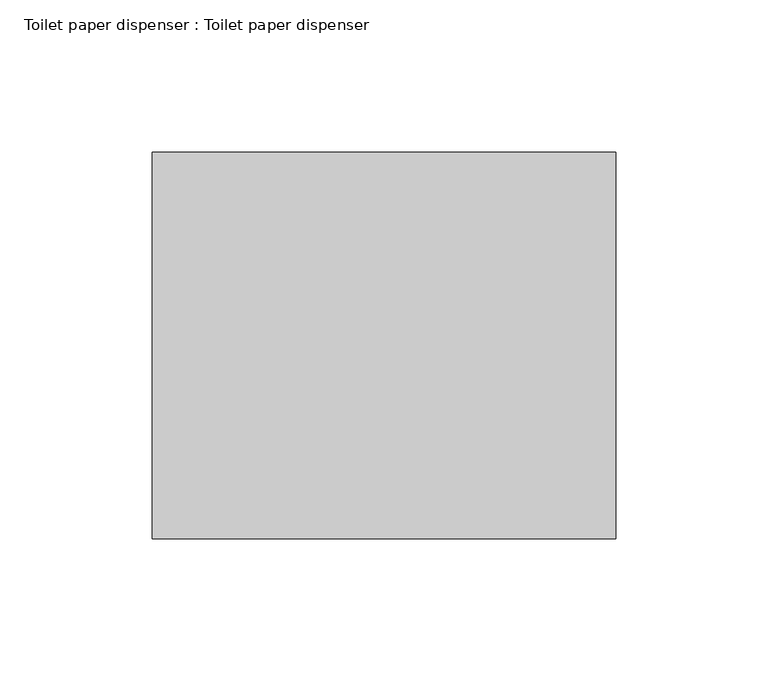
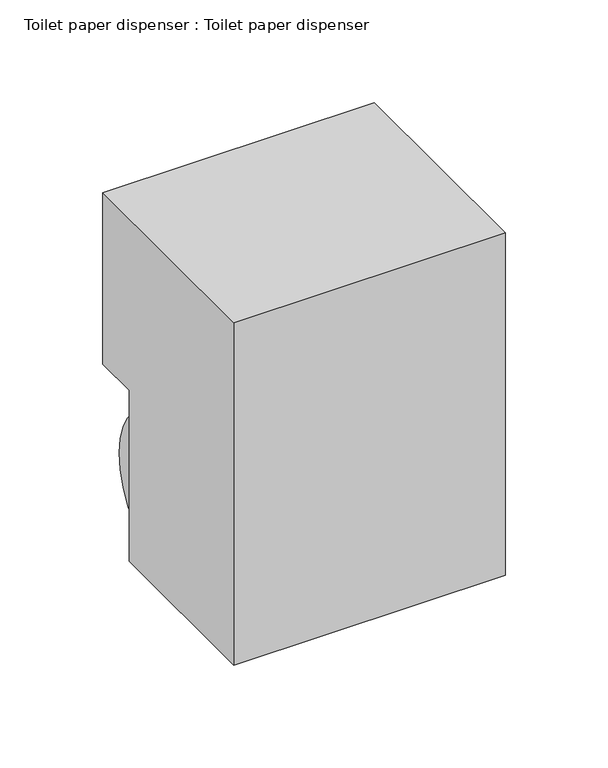
"""IFC4 building model written with IfcOpenShell, lengths in millimetres: flow terminal geometry, Toilet paper dispenser : Toilet paper dispenser."""

from ifc_helpers import new_model, si_unit, point, frame, frame_2d, origin, place, context, project, spatial, polyline, circle_curve, trimmed, segment, composite_curve, outline, extrude, source, transform, mapped, element, save


def toilet_paper_dispenser_toilet_paper_dispenser_b79a7764(model_context):
    return source(origin(), model_context, "Body", "SweptSolid", [
        extrude(outline(composite_curve([segment(trimmed(circle_curve(frame_2d((76.2, 431.8)), 44.45), [point((120.65, 431.8))], [point((31.75, 431.8))], False, "CARTESIAN"), True, "CONTINUOUS"), segment(trimmed(circle_curve(frame_2d((76.2, 431.8)), 44.45), [point((31.75, 431.8))], [point((120.65, 431.8))], False, "CARTESIAN"), True, "CONTINUOUS")], self_intersect=False)), frame((-70.7703031, 0.0, 0.0), z_axis=(1.0, 0.0, 0.0), x_axis=(0.0, 1.0, 0.0)), (0.0, 0.0, 1.0), 141.5948727),
        extrude(outline(polyline([(0.0, 584.2), (127.0, 584.2), (127.0, 482.6), (101.6, 482.6), (101.6, 381.0), (0.0, 381.0), (0.0, 584.2)])), frame((-76.2, 0.0, 0.0), z_axis=(1.0, 0.0, 0.0), x_axis=(0.0, 1.0, 0.0)), (0.0, 0.0, 1.0), 152.4),
    ])


if __name__ == "__main__":
    model = new_model("IFC4")
    model_context = context("Model", 3, world=origin())
    ifc_project = project(units=[si_unit("LENGTHUNIT", "METRE", prefix="MILLI")], contexts=[model_context])
    site = spatial("IfcSite", under=ifc_project)
    building = spatial("IfcBuilding", under=site)
    placement = place(None, origin())
    toilet_paper_dispenser_toilet_paper_dispenser_shape = toilet_paper_dispenser_toilet_paper_dispenser_b79a7764(model_context)
    element("IfcFlowTerminal", 1, ObjectType="Toilet paper dispenser : Toilet paper dispenser", at=placement, inside=building, context=model_context, shape_type="MappedRepresentation", body=[
        mapped(toilet_paper_dispenser_toilet_paper_dispenser_shape, transform((0.0, 0.0, 0.0), x_axis=(1.0, 0.0, 0.0), y_axis=(0.0, 1.0, 0.0), z_axis=(0.0, 0.0, 1.0))),
    ])
    save(model, "model.ifc")
